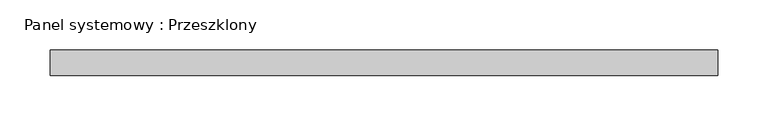
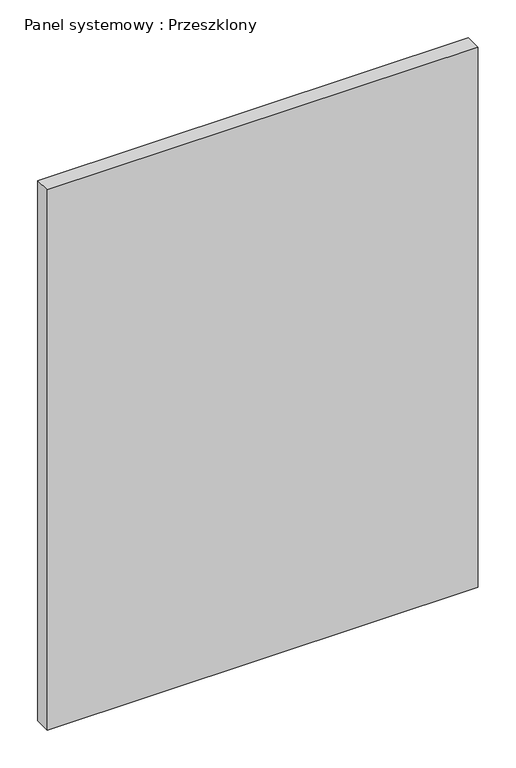
"""IFC4 building model written with IfcOpenShell, lengths in millimetres: plate geometry, Panel systemowy : Przeszklony."""

from ifc_helpers import new_model, si_unit, origin, origin_with_axes, place, context, project, spatial, polyline, outline, extrude, source, transform, mapped, element, save


def panel_systemowy_przeszklony_050d5507(model_context):
    return source(origin(), model_context, "Body", "SweptSolid", [
        extrude(outline(polyline([(330.25, 24.5), (-330.25, 24.5), (-330.25, 49.5), (330.25, 49.5), (330.25, 24.5)])), origin_with_axes(), (0.0, 0.0, 1.0), 875.0),
    ])


if __name__ == "__main__":
    model = new_model("IFC4")
    model_context = context("Model", 3, world=origin())
    ifc_project = project(units=[si_unit("LENGTHUNIT", "METRE", prefix="MILLI")], contexts=[model_context])
    site = spatial("IfcSite", under=ifc_project)
    building = spatial("IfcBuilding", under=site)
    placement = place(None, origin())
    panel_systemowy_przeszklony_shape = panel_systemowy_przeszklony_050d5507(model_context)
    element("IfcPlate", 1, ObjectType="Panel systemowy : Przeszklony", at=placement, inside=building, context=model_context, shape_type="MappedRepresentation", body=[
        mapped(panel_systemowy_przeszklony_shape, transform((0.0, 0.0, 0.0), x_axis=(1.0, 0.0, 0.0), y_axis=(0.0, 1.0, 0.0), z_axis=(0.0, 0.0, 1.0))),
    ])
    save(model, "model.ifc")
